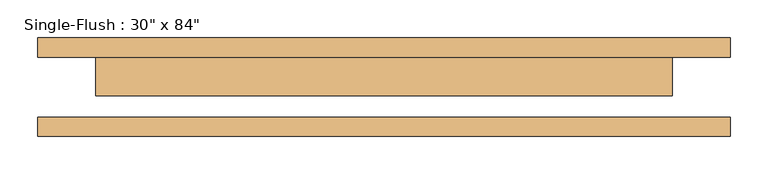
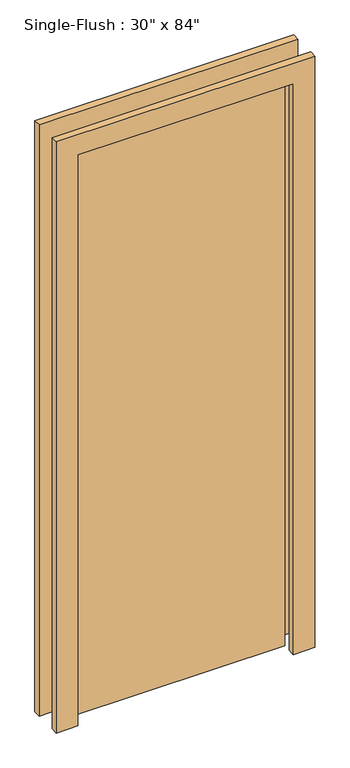
"""IFC4 building model written with IfcOpenShell, lengths in millimetres: door geometry."""

from ifc_helpers import new_model, si_unit, frame, origin, origin_with_axes, place, context, project, spatial, polyline, outline, extrude, source, transform, mapped, element, save


def door_07ceaeed(model_context):
    return source(origin(), model_context, "Body", "SweptSolid", [
        extrude(outline(polyline([(2209.8, -457.2), (0.0, -457.2), (0.0, -381.0), (2133.6, -381.0), (2133.6, 381.0), (0.0, 381.0), (0.0, 457.2), (2209.8, 457.2), (2209.8, -457.2)])), frame((0.0, 39.6875, 0.0), z_axis=(0.0, 1.0, 0.0), x_axis=(0.0, 0.0, 1.0)), (0.0, 0.0, 1.0), 25.4),
        extrude(outline(polyline([(2209.8, 457.2), (2209.8, -457.2), (0.0, -457.2), (0.0, -381.0), (2133.6, -381.0), (2133.6, 381.0), (0.0, 381.0), (0.0, 457.2), (2209.8, 457.2)])), frame((0.0, -65.0875, 0.0), z_axis=(0.0, 1.0, 0.0), x_axis=(0.0, 0.0, 1.0)), (0.0, 0.0, 1.0), 25.4),
        extrude(outline(polyline([(381.0, -11.1125), (-381.0, -11.1125), (-381.0, 39.6875), (381.0, 39.6875), (381.0, -11.1125)])), origin_with_axes(), (0.0, 0.0, 1.0), 2133.6),
    ])


if __name__ == "__main__":
    model = new_model("IFC4")
    model_context = context("Model", 3, world=origin())
    ifc_project = project(units=[si_unit("LENGTHUNIT", "METRE", prefix="MILLI")], contexts=[model_context])
    site = spatial("IfcSite", under=ifc_project)
    building = spatial("IfcBuilding", under=site)
    placement = place(None, origin())
    door_shape = door_07ceaeed(model_context)
    element("IfcDoor", 1, ObjectType="Single-Flush : 30\" x 84\"", at=placement, inside=building, context=model_context, shape_type="MappedRepresentation", body=[
        mapped(door_shape, transform((0.0, 0.0, 0.0), x_axis=(1.0, 0.0, 0.0), y_axis=(0.0, 1.0, 0.0), z_axis=(0.0, 0.0, 1.0))),
    ])
    save(model, "model.ifc")
